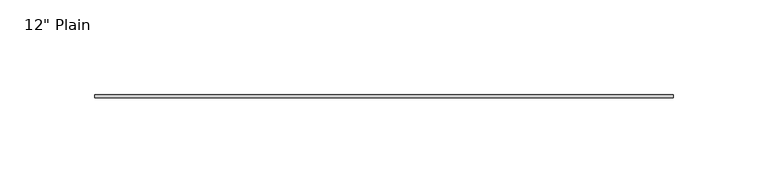
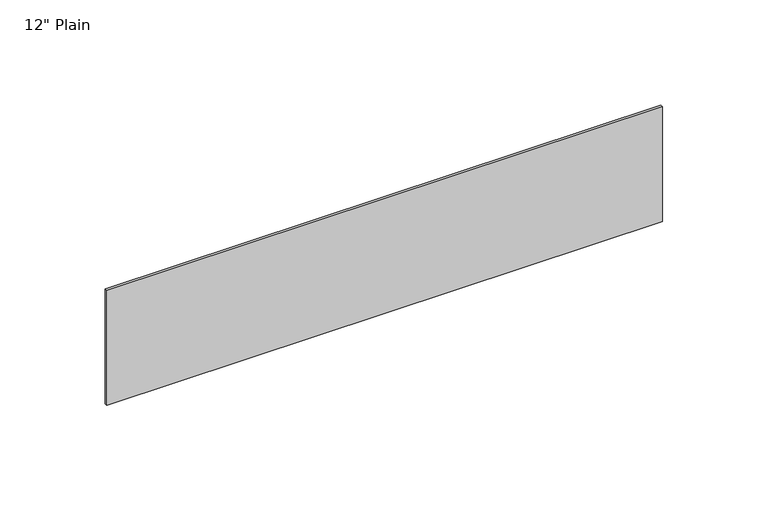
"""IFC4 building model written with IfcOpenShell, lengths in millimetres: furniture geometry."""

from ifc_helpers import new_model, si_unit, frame, origin, place, context, project, spatial, polyline, outline, extrude, source, transform, mapped, element, save


def furniture_2ac15d92(model_context):
    return source(origin(), model_context, "Body", "SweptSolid", [
        extrude(outline(polyline([(171.1377049, -1.5875), (-133.6622951, -1.5875), (-133.6622951, 0.0), (171.1377049, 0.0), (171.1377049, -1.5875)])), frame((0.0, 0.0, 1019.175), z_axis=(0.0, 0.0, 1.0), x_axis=(1.0, 0.0, 0.0)), (0.0, 0.0, 1.0), 66.675),
    ])


if __name__ == "__main__":
    model = new_model("IFC4")
    model_context = context("Model", 3, world=origin())
    ifc_project = project(units=[si_unit("LENGTHUNIT", "METRE", prefix="MILLI")], contexts=[model_context])
    site = spatial("IfcSite", under=ifc_project)
    building = spatial("IfcBuilding", under=site)
    placement = place(None, origin())
    furniture_shape = furniture_2ac15d92(model_context)
    element("IfcFurniture", 1, ObjectType="12\" Plain", at=placement, inside=building, context=model_context, shape_type="MappedRepresentation", body=[
        mapped(furniture_shape, transform((0.0, 0.0, 0.0), x_axis=(1.0, 0.0, 0.0), y_axis=(0.0, 1.0, 0.0), z_axis=(0.0, 0.0, 1.0))),
    ])
    save(model, "model.ifc")
